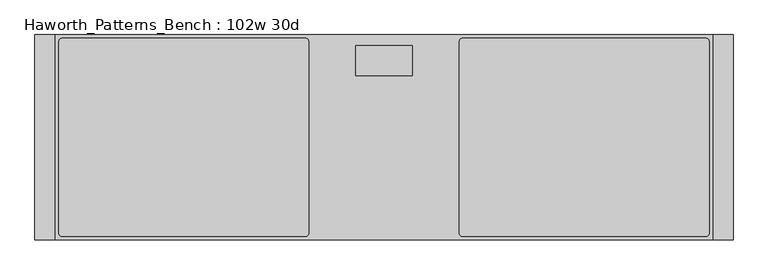
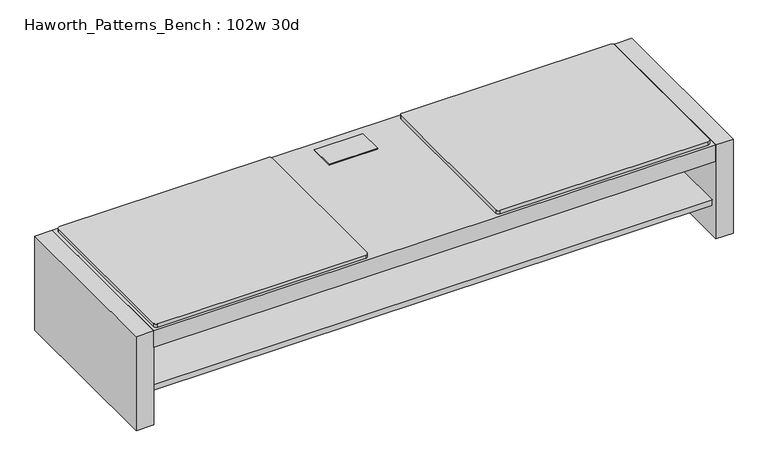
"""IFC4 building model written with IfcOpenShell, lengths in millimetres: furniture geometry, Haworth_Patterns_Bench : 102w 30d."""

from ifc_helpers import new_model, si_unit, point, frame, frame_2d, origin, origin_with_axes, place, context, project, spatial, polyline, circle_curve, trimmed, segment, composite_curve, outline, extrude, faceted_brep, source, transform, mapped, element, save


def haworth_patterns_bench_102w_30d_18796ae6(model_context):
    return source(origin(), model_context, "Body", "SolidModel", [
        extrude(outline(composite_curve([segment(trimmed(circle_curve(frame_2d((-292.1, -25.4)), 12.7), [point((-292.1, -12.7))], [point((-279.4, -25.4))], False, "CARTESIAN"), True, "CONTINUOUS"), segment(polyline([(-279.4, -25.4), (-279.4, -736.6)]), True, "CONTINUOUS"), segment(trimmed(circle_curve(frame_2d((-292.1, -736.6)), 12.7), [point((-279.4, -736.6))], [point((-292.1, -749.3))], False, "CARTESIAN"), True, "CONTINUOUS"), segment(polyline([(-292.1, -749.3), (-1193.8, -749.3)]), True, "CONTINUOUS"), segment(trimmed(circle_curve(frame_2d((-1193.8, -736.6)), 12.7), [point((-1193.8, -749.3))], [point((-1206.5, -736.6))], False, "CARTESIAN"), True, "CONTINUOUS"), segment(polyline([(-1206.5, -736.6), (-1206.5, -25.4)]), True, "CONTINUOUS"), segment(trimmed(circle_curve(frame_2d((-1193.8, -25.4)), 12.7), [point((-1206.5, -25.4))], [point((-1193.8, -12.7))], False, "CARTESIAN"), True, "CONTINUOUS"), segment(polyline([(-1193.8, -12.7), (-292.1, -12.7)]), True, "CONTINUOUS")], self_intersect=False)), frame((0.0, 0.0, 431.8), z_axis=(0.0, 0.0, 1.0), x_axis=(1.0, 0.0, 0.0)), (0.0, 0.0, 1.0), 15.875),
        extrude(outline(composite_curve([segment(trimmed(circle_curve(frame_2d((1193.8, -25.4)), 12.7), [point((1193.8, -12.7))], [point((1206.5, -25.4))], False, "CARTESIAN"), True, "CONTINUOUS"), segment(polyline([(1206.5, -25.4), (1206.5, -736.6)]), True, "CONTINUOUS"), segment(trimmed(circle_curve(frame_2d((1193.8, -736.6)), 12.7), [point((1206.5, -736.6))], [point((1193.8, -749.3))], False, "CARTESIAN"), True, "CONTINUOUS"), segment(polyline([(1193.8, -749.3), (292.1, -749.3)]), True, "CONTINUOUS"), segment(trimmed(circle_curve(frame_2d((292.1, -736.6)), 12.7), [point((292.1, -749.3))], [point((279.4, -736.6))], False, "CARTESIAN"), True, "CONTINUOUS"), segment(polyline([(279.4, -736.6), (279.4, -25.4)]), True, "CONTINUOUS"), segment(trimmed(circle_curve(frame_2d((292.1, -25.4)), 12.7), [point((279.4, -25.4))], [point((292.1, -12.7))], False, "CARTESIAN"), True, "CONTINUOUS"), segment(polyline([(292.1, -12.7), (1193.8, -12.7)]), True, "CONTINUOUS")], self_intersect=False)), frame((0.0, 0.0, 431.8), z_axis=(0.0, 0.0, 1.0), x_axis=(1.0, 0.0, 0.0)), (0.0, 0.0, 1.0), 15.875),
        faceted_brep([(105.56875, -39.6875, 434.975), (-105.56875, -39.6875, 434.975), (-105.56875, -150.8125, 434.975), (105.56875, -150.8125, 434.975), (105.56875, -39.6875, 431.8), (105.56875, -150.8125, 431.8), (-105.56875, -150.8125, 431.8), (-105.56875, -39.6875, 431.8), (102.39375, -44.45, 431.8), (-102.39375, -44.45, 431.8), (-102.39375, -146.05, 431.8), (102.39375, -146.05, 431.8), (102.39375, -44.45, 361.95), (102.39375, -146.05, 361.95), (-102.39375, -146.05, 361.95), (-102.39375, -44.45, 361.95)], [[[0, 1, 2, 3]], [[4, 5, 6, 7], [8, 9, 10, 11]], [[1, 0, 4, 7]], [[2, 1, 7, 6]], [[3, 2, 6, 5]], [[0, 3, 5, 4]], [[12, 13, 14, 15]], [[12, 15, 9, 8]], [[15, 14, 10, 9]], [[14, 13, 11, 10]], [[13, 12, 8, 11]]]),
        extrude(outline(polyline([(1219.2, 0.0), (1219.2, -762.0), (-1219.2, -762.0), (-1219.2, 0.0), (1219.2, 0.0)])), frame((0.0, 0.0, 355.6), z_axis=(0.0, 0.0, 1.0), x_axis=(1.0, 0.0, 0.0)), (0.0, 0.0, 1.0), 76.2),
        extrude(outline(polyline([(1219.2, -25.4), (1219.2, -736.6), (-1219.2, -736.6), (-1219.2, -25.4), (1219.2, -25.4)])), frame((0.0, 0.0, 139.7), z_axis=(0.0, 0.0, 1.0), x_axis=(1.0, 0.0, 0.0)), (0.0, 0.0, 1.0), 25.4),
        extrude(outline(polyline([(1219.2, -355.6), (1219.2, -406.4), (-1219.2, -406.4), (-1219.2, -355.6), (1219.2, -355.6)])), frame((0.0, 0.0, 165.1), z_axis=(0.0, 0.0, 1.0), x_axis=(1.0, 0.0, 0.0)), (0.0, 0.0, 1.0), 190.5),
        extrude(outline(polyline([(1219.2, 0.0), (1295.4, 0.0), (1295.4, -762.0), (1219.2, -762.0), (1219.2, 0.0)])), origin_with_axes(), (0.0, 0.0, 1.0), 431.8),
        extrude(outline(polyline([(-1219.2, 0.0), (-1219.2, -762.0), (-1295.4, -762.0), (-1295.4, 0.0), (-1219.2, 0.0)])), origin_with_axes(), (0.0, 0.0, 1.0), 431.8),
    ])


if __name__ == "__main__":
    model = new_model("IFC4")
    model_context = context("Model", 3, world=origin())
    ifc_project = project(units=[si_unit("LENGTHUNIT", "METRE", prefix="MILLI")], contexts=[model_context])
    site = spatial("IfcSite", under=ifc_project)
    building = spatial("IfcBuilding", under=site)
    placement = place(None, origin())
    haworth_patterns_bench_102w_30d_shape = haworth_patterns_bench_102w_30d_18796ae6(model_context)
    element("IfcFurniture", 1, ObjectType="Haworth_Patterns_Bench : 102w 30d", at=placement, inside=building, context=model_context, shape_type="MappedRepresentation", body=[
        mapped(haworth_patterns_bench_102w_30d_shape, transform((0.0, 0.0, 0.0), x_axis=(1.0, 0.0, 0.0), y_axis=(0.0, 1.0, 0.0), z_axis=(0.0, 0.0, 1.0))),
    ])
    save(model, "model.ifc")
